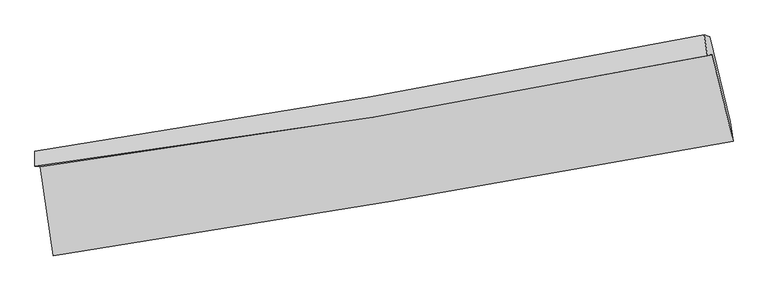
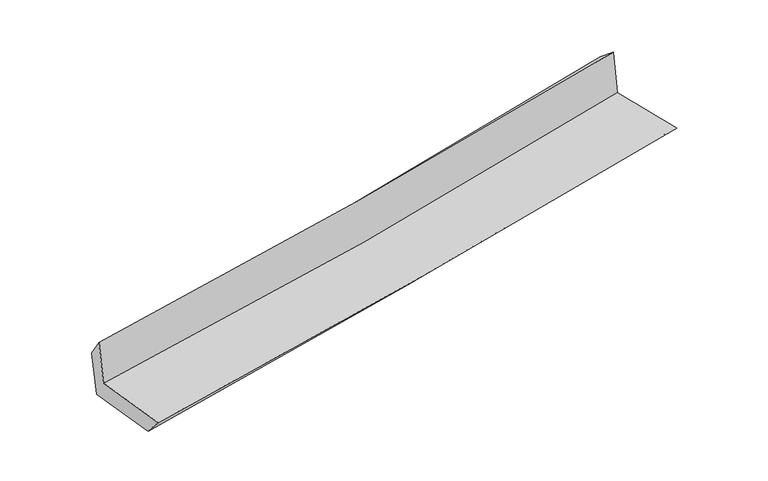
"""IFC4 building model written with IfcOpenShell, lengths in millimetres: proxy geometry."""

from ifc_helpers import new_model, si_unit, frame, origin, place, context, project, spatial, source, transform, mapped, element, save
from ifc_brep_helpers import plane_surface, spline_curve, spline_surface, advanced_brep


def generic_models_5a4b235a(model_context):
    return source(origin(), model_context, "Body", "AdvancedBrep", [
        advanced_brep(
        [(-2543.7944369, -1907.4113462, 1682.8075754), (-2446.5233288, -2571.9384943, 1683.449401), (2629.9435139, -1715.9102412, 2142.0856419), (2475.5838287, -1072.0562534, 2135.8246284), (-2582.1673307, -1903.0265226, 2077.1645656), (2438.5932318, -1077.0899477, 2530.1525877), (-2582.6116381, -1789.9346425, 1908.6786096), (2413.6803548, -922.1613449, 2402.4039283), (-2543.2232403, -1801.5933661, 1514.8431235), (2454.9736461, -934.2551506, 2006.2143139), (-2451.7860904, -2429.3870713, 1520.2264919), (2608.5405218, -1570.568748, 2001.9255555)],
        [
            (0, 1),
            (1, 2, spline_curve(3, [(-2446.5233288, -2571.9384943, 1683.449401), (-1597.33405705, -2441.137422571, 1748.506612958), (-748.975145907, -2304.26823446, 1819.330458626), (943.174781777, -2018.883925328, 1972.248699), (1786.971484684, -1870.410362534, 2054.303600254), (2629.9435139, -1715.9102412, 2142.0856419)], [4, 2, 4], [0.0, 8.444730740087177, 16.860494551156453])),
            (2, 3),
            (3, 0, spline_curve(3, [(2475.5838287, -1072.0562534, 2135.8246284), (1646.503274408, -1238.802862105, 2049.189370348), (814.405290541, -1391.693339397, 1968.175504028), (-858.699990291, -1670.240586476, 1817.13105584), (-1699.728095184, -1795.801806426, 1747.139237486), (-2543.7944369, -1907.4113462, 1682.8075754)], [4, 2, 4], [0.0, 8.415763811069276, 16.860494551156453])),
            (4, 0),
            (3, 5),
            (5, 4, spline_curve(3, [(2438.5932318, -1077.0899477, 2530.1525877), (1608.497870879, -1245.567521869, 2456.773881109), (775.776816277, -1398.542787174, 2382.402089032), (-897.79193168, -1673.961879618, 2231.412930026), (-1738.657730954, -1796.298806066, 2154.788714443), (-2582.1673307, -1903.0265226, 2077.1645656)], [4, 2, 4], [0.0, 8.367161333613893, 16.763122307269175])),
            (6, 4),
            (5, 7),
            (7, 6, spline_curve(3, [(2413.6803548, -922.1613449, 2402.4039283), (1586.62025589, -1085.543117891, 2319.860198778), (757.45148654, -1239.440529361, 2237.514902277), (-907.964636644, -1528.763697727, 2072.938427689), (-1744.226531784, -1664.124051986, 1990.708617828), (-2582.6116381, -1789.9346425, 1908.6786096)], [4, 2, 4], [0.0, 8.355526572317402, 16.73981273800756])),
            (8, 6),
            (7, 9),
            (9, 8, spline_curve(3, [(2454.9736461, -934.2551506, 2006.2143139), (1627.673878948, -1097.828376455, 1923.229105744), (798.226873583, -1251.785546467, 1840.858194403), (-867.823948523, -1540.964595619, 1677.063561796), (-1704.442571899, -1676.120163757, 1595.644075912), (-2543.2232403, -1801.5933661, 1514.8431235)], [4, 2, 4], [0.0, 8.345531360705934, 16.71978791142068])),
            (10, 8),
            (9, 11),
            (11, 10, spline_curve(3, [(2608.5405218, -1570.568748, 2001.9255555), (1768.43567461, -1726.850245642, 1915.496108897), (927.415427438, -1876.447734384, 1832.203363351), (-759.35379773, -2162.766600406, 1671.615378583), (-1605.109087569, -2299.441886216, 1594.34176954), (-2451.7860904, -2429.3870713, 1520.2264919)], [4, 2, 4], [0.0, 8.394638256168179, 16.81817072752067])),
            (1, 10),
            (11, 2),
        ],
        [
            spline_surface(3, 3, [[(-2543.7944369, -1907.4113462, 1682.8075754), (-1699.728095063, -1795.801806551, 1747.139237585), (-858.699990321, -1670.240586406, 1817.131055732), (814.40529057, -1391.693339467, 1968.175504136), (1646.503274367, -1238.802862019, 2049.189370353), (2475.5838287, -1072.0562534, 2135.8246284)], [(-2511.37073419, -2128.920395585, 1683.021517258), (-1665.596749034, -2010.913678583, 1747.595029352), (-822.125042139, -1881.583135723, 1817.864190047), (857.328454265, -1600.75686807, 1969.53323574), (1693.326011143, -1449.338695525, 2050.894113626), (2527.03705711, -1286.674249349, 2137.911632904)], [(-2478.94703151, -2350.429444915, 1683.235459142), (-1631.465403035, -2226.02555056, 1748.050821147), (-785.550093962, -2092.925685117, 1818.597324362), (900.251617956, -1809.82039675, 1970.890967345), (1740.148747888, -1659.874528985, 2052.598856888), (2578.49028549, -1501.292245251, 2139.998637396)], [(-2446.5233288, -2571.9384943, 1683.449401), (-1597.334057007, -2441.137422592, 1748.506612914), (-748.975145781, -2304.268234434, 1819.330458677), (943.174781651, -2018.883925354, 1972.24869895), (1786.971484663, -1870.410362491, 2054.30360016), (2629.9435139, -1715.9102412, 2142.0856419)]], [4, 4], [4, 2, 4], [0.0, 2.105636466567228], [0.0, 8.444730740087177, 16.860494551156453]),
            spline_surface(3, 3, [[(-2582.1673307, -1903.0265226, 2077.1645656), (-1738.657731083, -1796.298806118, 2154.788714483), (-897.791931632, -1673.961879742, 2231.412929916), (775.776816229, -1398.54278705, 2382.402089141), (1608.49787095, -1245.56752176, 2456.77388109), (2438.5932318, -1077.0899477, 2530.1525877)], [(-2569.376366111, -1904.488130456, 1945.712235532), (-1725.681185754, -1796.133139585, 2018.905555516), (-884.761284535, -1672.721448637, 2093.318971846), (788.652974336, -1396.259637863, 2244.326560797), (1621.166338745, -1243.312635149, 2320.912377502), (2450.923430756, -1075.412049569, 2398.709934591)], [(-2556.585401489, -1905.949738344, 1814.259905468), (-1712.704640392, -1795.967473083, 1883.022396552), (-871.730637418, -1671.48101751, 1955.225013802), (801.529132463, -1393.976488654, 2106.251032479), (1633.834806573, -1241.05774863, 2185.050873941), (2463.253629744, -1073.734151531, 2267.267281509)], [(-2543.7944369, -1907.4113462, 1682.8075754), (-1699.728095063, -1795.801806551, 1747.139237585), (-858.699990321, -1670.240586406, 1817.131055732), (814.40529057, -1391.693339467, 1968.175504136), (1646.503274367, -1238.802862019, 2049.189370353), (2475.5838287, -1072.0562534, 2135.8246284)]], [4, 4], [4, 2, 4], [0.0, 1.3651789358378994], [0.0, 8.395960973655281, 16.763122307269175]),
            spline_surface(3, 3, [[(-2582.6116381, -1789.9346425, 1908.6786096), (-1744.226531714, -1664.124051953, 1990.708617868), (-907.964636691, -1528.763697681, 2072.938427692), (757.451486587, -1239.440529408, 2237.514902274), (1586.6202559, -1085.543117799, 2319.860198703), (2413.6803548, -922.1613449, 2402.4039283)], [(-2582.463535639, -1827.63193587, 1964.840594932), (-1742.370264843, -1708.182303345, 2045.401983405), (-904.573735025, -1577.163091689, 2125.76326176), (763.559929781, -1292.474615277, 2285.810631224), (1593.91279426, -1138.884585799, 2365.498092833), (2421.984647143, -973.804212513, 2444.986814767)], [(-2582.315433161, -1865.32922923, 2021.002580268), (-1740.513997954, -1752.240554726, 2100.095348946), (-901.182833298, -1625.562485733, 2178.588095848), (769.668373035, -1345.508701181, 2334.106360192), (1601.205332591, -1192.22605376, 2411.135986961), (2430.288939457, -1025.447080087, 2487.569701233)], [(-2582.1673307, -1903.0265226, 2077.1645656), (-1738.657731083, -1796.298806118, 2154.788714483), (-897.791931632, -1673.961879742, 2231.412929916), (775.776816229, -1398.54278705, 2382.402089141), (1608.49787095, -1245.56752176, 2456.77388109), (2438.5932318, -1077.0899477, 2530.1525877)]], [4, 4], [4, 2, 4], [0.0, 0.7064037435871403], [0.0, 8.38428616569016, 16.73981273800756]),
            spline_surface(3, 3, [[(-2543.2232403, -1801.5933661, 1514.8431235), (-1704.442571769, -1676.120163869, 1595.644075949), (-867.823948383, -1540.964595574, 1677.063561662), (798.226873444, -1251.785546512, 1840.858194536), (1627.673878883, -1097.828376324, 1923.229105636), (2454.9736461, -934.2551506, 2006.2143139)], [(-2556.352706231, -1797.70712489, 1646.121618884), (-1717.703891748, -1672.121459887, 1727.332256606), (-881.204177802, -1536.897629639, 1809.021850367), (784.635077843, -1247.67054084, 1973.077097144), (1613.989337886, -1093.733290156, 2055.439470006), (2441.209215663, -930.22388204, 2138.277518714)], [(-2569.482172169, -1793.82088371, 1777.400114216), (-1730.965211735, -1668.122755935, 1859.020437212), (-894.584407273, -1532.830663616, 1940.980138987), (771.043282189, -1243.55553508, 2105.295999667), (1600.304796898, -1089.638203968, 2187.649834334), (2427.444785237, -926.19261346, 2270.340723486)], [(-2582.6116381, -1789.9346425, 1908.6786096), (-1744.226531714, -1664.124051953, 1990.708617868), (-907.964636691, -1528.763697681, 2072.938427692), (757.451486587, -1239.440529408, 2237.514902274), (1586.6202559, -1085.543117799, 2319.860198703), (2413.6803548, -922.1613449, 2402.4039283)]], [4, 4], [4, 2, 4], [0.0, 1.307458498328033], [0.0, 8.374256550714748, 16.71978791142068]),
            spline_surface(3, 3, [[(-2451.7860904, -2429.3870713, 1520.2264919), (-1605.109087622, -2299.441886088, 1594.341769645), (-759.353797628, -2162.766600461, 1671.615378644), (927.415427336, -1876.44773433, 1832.20336329), (1768.435674749, -1726.850245525, 1915.496108829), (2608.5405218, -1570.568748, 2001.9255555)], [(-2482.26514037, -2220.122502892, 1518.432035753), (-1638.220249008, -2091.667978674, 1594.775871732), (-795.510514562, -1955.499265475, 1673.43143963), (884.352576023, -1668.227005033, 1835.088307018), (1721.515076115, -1517.176289109, 1918.073774414), (2557.351563222, -1358.464215518, 2003.355141616)], [(-2512.74419033, -2010.857934508, 1516.637579647), (-1671.331410383, -1883.894071283, 1595.209973862), (-831.667231449, -1748.231930561, 1675.247500677), (841.289724757, -1460.006275809, 1837.973250808), (1674.594477517, -1307.50233274, 1920.651440052), (2506.162604678, -1146.359683082, 2004.784727784)], [(-2543.2232403, -1801.5933661, 1514.8431235), (-1704.442571769, -1676.120163869, 1595.644075949), (-867.823948383, -1540.964595574, 1677.063561662), (798.226873444, -1251.785546512, 1840.858194536), (1627.673878883, -1097.828376324, 1923.229105636), (2454.9736461, -934.2551506, 2006.2143139)]], [4, 4], [4, 2, 4], [0.0, 2.081650276737091], [0.0, 8.423532471352491, 16.81817072752067]),
            spline_surface(3, 3, [[(-2446.5233288, -2571.9384943, 1683.449401), (-1597.334057007, -2441.137422592, 1748.506612914), (-748.975145781, -2304.268234434, 1819.330458677), (943.174781651, -2018.883925354, 1972.24869895), (1786.971484663, -1870.410362491, 2054.30360016), (2629.9435139, -1715.9102412, 2142.0856419)], [(-2448.277582659, -2524.421353306, 1629.041764642), (-1599.925733871, -2393.905577097, 1697.118331833), (-752.434696373, -2257.101023134, 1770.092098673), (937.92166357, -1971.405195037, 1925.566920403), (1780.792881365, -1822.556990181, 2008.034436392), (2622.809183206, -1667.463076812, 2095.365613109)], [(-2450.031836541, -2476.904212294, 1574.634128258), (-1602.517410758, -2346.673731583, 1645.730050726), (-755.894247036, -2209.933811761, 1720.853738648), (932.668545417, -1923.926464647, 1878.885141836), (1774.614278047, -1774.703617836, 1961.765272597), (2615.674852494, -1619.015912388, 2048.645584291)], [(-2451.7860904, -2429.3870713, 1520.2264919), (-1605.109087622, -2299.441886088, 1594.341769645), (-759.353797628, -2162.766600461, 1671.615378644), (927.415427336, -1876.44773433, 1832.20336329), (1768.435674749, -1726.850245525, 1915.496108829), (2608.5405218, -1570.568748, 2001.9255555)]], [4, 4], [4, 2, 4], [0.0, 0.664567207523225], [0.0, 8.48252539076768, 16.935954210140785]),
            plane_surface(frame((2503.5525162, -1215.340281, 2203.1011093), z_axis=(0.9679517084709194, 0.23297183197437593, 0.09377427992115792), x_axis=(-0.10361680016145215, 0.030346853124857572, 0.9941542270843695))),
            plane_surface(frame((-2525.0176775, -2067.2152405, 1731.1949612), z_axis=(-0.9850390257003958, -0.14427751625355215, -0.09424497944676528), x_axis=(-0.1448329813533176, 0.9894556555187214, -0.0009556538740265795))),
        ],
        [
            (0, [[1, 2, 3, 4]]),
            (1, [[5, -4, 6, 7]]),
            (2, [[8, -7, 9, 10]]),
            (3, [[11, -10, 12, 13]]),
            (4, [[14, -13, 15, 16]]),
            (5, [[17, -16, 18, -2]]),
            (6, [[-12, -9, -6, -3, -18, -15]]),
            (7, [[-1, -5, -8, -11, -14, -17]]),
        ],
    ),
    ])


if __name__ == "__main__":
    model = new_model("IFC4")
    model_context = context("Model", 3, world=origin())
    ifc_project = project(units=[si_unit("LENGTHUNIT", "METRE", prefix="MILLI")], contexts=[model_context])
    site = spatial("IfcSite", under=ifc_project)
    building = spatial("IfcBuilding", under=site)
    placement = place(None, origin())
    generic_models_shape = generic_models_5a4b235a(model_context)
    element("IfcBuildingElementProxy", 1, Name="Generic Models", at=placement, inside=building, context=model_context, shape_type="MappedRepresentation", body=[
        mapped(generic_models_shape, transform((0.0, 0.0, 0.0), x_axis=(1.0, 0.0, 0.0), y_axis=(0.0, 1.0, 0.0), z_axis=(0.0, 0.0, 1.0))),
    ])
    save(model, "model.ifc")
